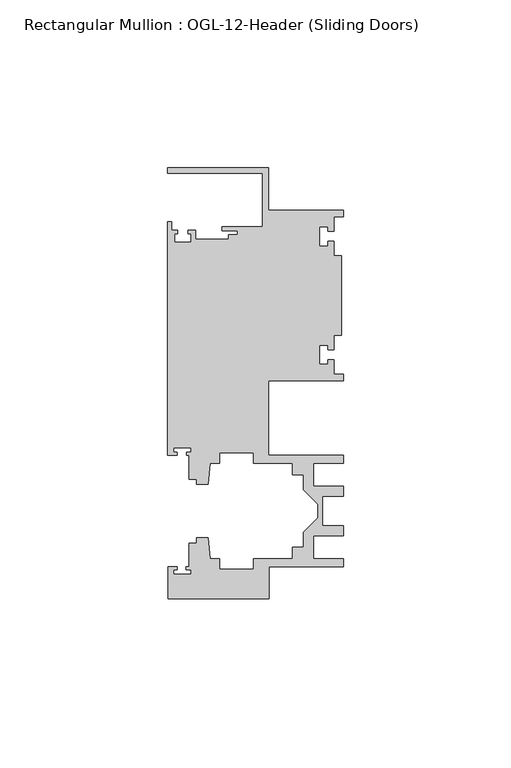
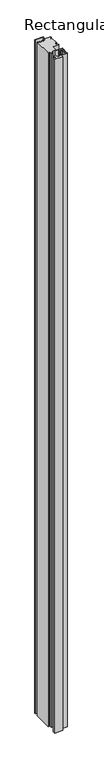
"""IFC4 building model written with IfcOpenShell, lengths in millimetres: member geometry, Rectangular Mullion : OGL-12-Header (Sliding Doors)."""

from ifc_helpers import new_model, si_unit, frame, origin, place, context, project, spatial, polyline, outline, extrude, source, transform, mapped, element, save


def rectangular_mullion_ogl_12_header_sliding_doors_881bb2aa(model_context):
    return source(origin(), model_context, "Body", "SweptSolid", [
        extrude(outline(polyline([(0.0, 25.4), (0.0, 23.488176), (-2.740223, 23.488176), (-2.740223, 19.1395859), (-4.5407068, 19.1395859), (-4.5407068, 20.5271706), (-7.0406862, 20.5271706), (-7.0406862, 14.7651725), (-4.5407047, 14.7651725), (-4.5407047, 16.1605952), (-2.740223, 16.1605952), (-2.740223, 11.8041704), (-0.508, 11.8041704), (-0.508, -11.8041704), (-2.740223, -11.8041704), (-2.740223, -16.1605952), (-4.5407047, -16.1605952), (-4.5407047, -14.7651725), (-7.0406862, -14.7651725), (-7.0406862, -20.5271706), (-4.5407068, -20.5271706), (-4.5407068, -19.1395859), (-2.740223, -19.1395859), (-2.740223, -23.488176), (0.0, -23.488176), (0.0, -25.4), (-22.2332898, -25.4), (-22.2332898, -47.513352), (-0.0082575, -47.513352), (-0.0082575, -50.013352), (-8.8582575, -50.013352), (-8.8582575, -56.8562795), (-0.0082575, -56.8562795), (-0.0082575, -59.8562795), (-6.1582575, -59.8562795), (-6.1582575, -68.5325565), (-0.0082575, -68.5325565), (-0.0082575, -71.5325565), (-8.8582575, -71.5325565), (-8.8582575, -78.375484), (-0.0082575, -78.375484), (-0.0082575, -80.875484), (-22.2032575, -80.875484), (-22.2032575, -90.3252352), (-52.2095715, -90.3252352), (-52.2095715, -80.7425364), (-49.5692346, -80.7425364), (-49.5692346, -81.7156466), (-50.6220715, -81.7156466), (-50.6220715, -83.0934363), (-45.3220715, -83.0934363), (-45.3220715, -81.7156466), (-46.8181909, -81.7156466), (-46.8181909, -80.7425364), (-45.9710366, -80.7425364), (-45.9710366, -73.7629518), (-43.7582575, -73.7629518), (-43.7582575, -72.175484), (-40.3395523, -72.175484), (-39.7961967, -78.3860669), (-36.8419772, -78.3860669), (-36.8419772, -81.550484), (-26.7462575, -81.550484), (-26.7462575, -78.375484), (-15.0768765, -78.375484), (-15.0768765, -74.975484), (-11.8582575, -74.975484), (-11.8582575, -70.4941892), (-7.4980859, -66.1340176), (-7.4980859, -62.2548184), (-11.8582575, -57.8946468), (-11.8582575, -53.413352), (-15.0768765, -53.413352), (-15.0768765, -50.013352), (-26.7462575, -50.013352), (-26.7462575, -46.838352), (-36.8419772, -46.838352), (-36.8419772, -50.0027691), (-39.7961967, -50.0027691), (-40.3395523, -56.213352), (-43.7582575, -56.213352), (-43.7582575, -54.6622994), (-45.9710366, -54.6622994), (-45.9710366, -47.583496), (-46.769305, -47.583496), (-46.769305, -46.7096046), (-45.3220715, -46.7096046), (-45.3220715, -45.3318149), (-50.6220715, -45.3318149), (-50.6220715, -46.7096046), (-49.5910554, -46.7096046), (-49.5910554, -47.583496), (-52.3921824, -47.583496), (-52.3921824, 21.9710976), (-51.1362531, 21.9710976), (-51.1362531, 19.4824275), (-49.3568347, 19.4824275), (-49.3568347, 18.4751625), (-50.359397, 18.4751625), (-50.359397, 15.9751675), (-45.359407, 15.9751675), (-45.359407, 18.4751625), (-46.3304245, 18.4751625), (-46.3304245, 19.4824275), (-44.1094055, 19.4824275), (-44.1094055, 16.8641675), (-34.2833684, 16.8641675), (-34.2833684, 18.1510261), (-31.5444935, 18.1510261), (-31.5444935, 19.3006707), (-36.2104247, 19.3006707), (-36.2104247, 20.5916734), (-24.0747898, 20.5916734), (-24.0747898, 36.512516), (-52.3921824, 36.512516), (-52.3921824, 38.0996792), (-22.2332898, 38.0996792), (-22.2332898, 25.4), (0.0, 25.4)])), frame((0.0, 0.0, -2654.3), z_axis=(0.0, 0.0, 1.0), x_axis=(1.0, 0.0, 0.0)), (0.0, 0.0, 1.0), 2654.3),
    ])


if __name__ == "__main__":
    model = new_model("IFC4")
    model_context = context("Model", 3, world=origin())
    ifc_project = project(units=[si_unit("LENGTHUNIT", "METRE", prefix="MILLI")], contexts=[model_context])
    site = spatial("IfcSite", under=ifc_project)
    building = spatial("IfcBuilding", under=site)
    placement = place(None, origin())
    rectangular_mullion_ogl_12_header_sliding_doors_shape = rectangular_mullion_ogl_12_header_sliding_doors_881bb2aa(model_context)
    element("IfcMember", 1, ObjectType="Rectangular Mullion : OGL-12-Header (Sliding Doors)", at=placement, inside=building, context=model_context, shape_type="MappedRepresentation", body=[
        mapped(rectangular_mullion_ogl_12_header_sliding_doors_shape, transform((0.0, 0.0, 0.0), x_axis=(1.0, 0.0, 0.0), y_axis=(0.0, 1.0, 0.0), z_axis=(0.0, 0.0, 1.0))),
    ])
    save(model, "model.ifc")
